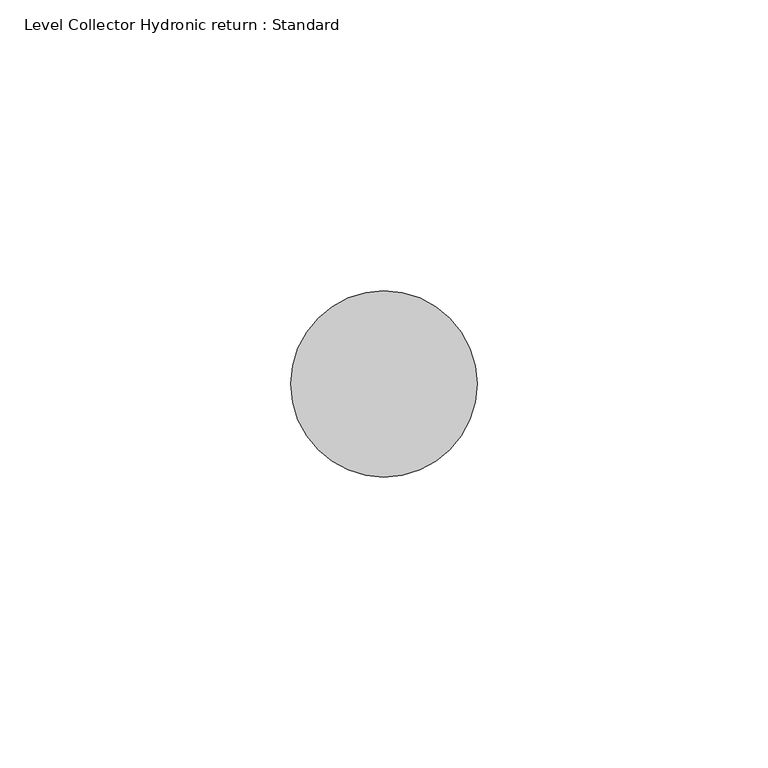
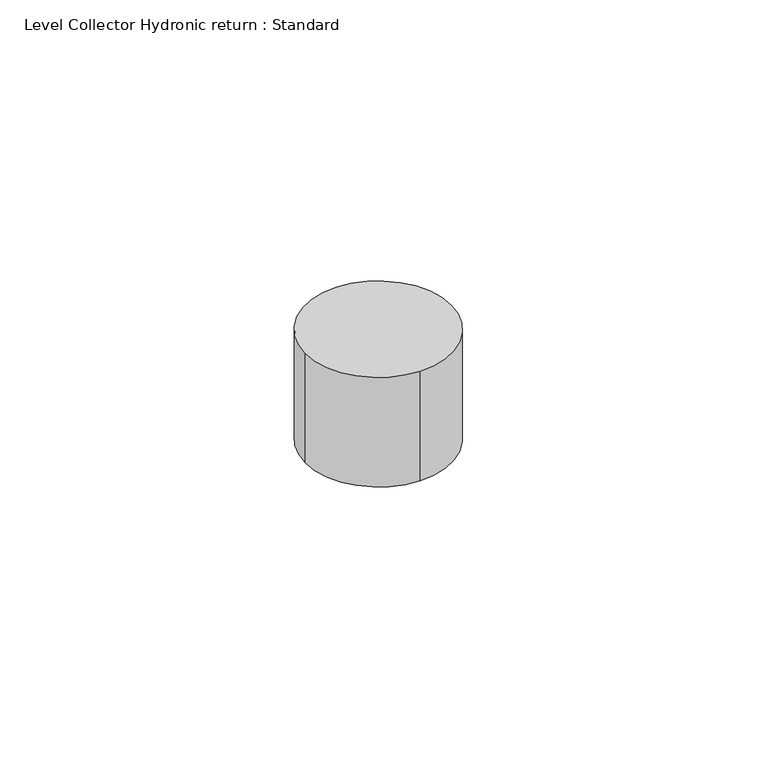
"""IFC4 building model written with IfcOpenShell, lengths in millimetres: proxy geometry, Level Collector Hydronic return : Standard."""

from ifc_helpers import new_model, si_unit, point, origin, origin_with_axes, origin_2d, place, context, project, spatial, circle_curve, trimmed, segment, composite_curve, outline, extrude, source, transform, mapped, element, save


def level_collector_hydronic_return_standard_63d5b4a2(model_context):
    return source(origin(), model_context, "Body", "SweptSolid", [
        extrude(outline(composite_curve([segment(trimmed(circle_curve(origin_2d(), 16.0), [point((16.0, 0.0))], [point((0.0, -16.0))], False, "CARTESIAN"), True, "CONTINUOUS"), segment(trimmed(circle_curve(origin_2d(), 16.0), [point((0.0, -16.0))], [point((-16.0, 0.0))], False, "CARTESIAN"), True, "CONTINUOUS"), segment(trimmed(circle_curve(origin_2d(), 16.0), [point((-16.0, 0.0))], [point((0.0, 16.0))], False, "CARTESIAN"), True, "CONTINUOUS"), segment(trimmed(circle_curve(origin_2d(), 16.0), [point((0.0, 16.0))], [point((16.0, 0.0))], False, "CARTESIAN"), True, "CONTINUOUS")], self_intersect=False)), origin_with_axes(), (0.0, 0.0, 1.0), 25.4),
    ])


if __name__ == "__main__":
    model = new_model("IFC4")
    model_context = context("Model", 3, world=origin())
    ifc_project = project(units=[si_unit("LENGTHUNIT", "METRE", prefix="MILLI")], contexts=[model_context])
    site = spatial("IfcSite", under=ifc_project)
    building = spatial("IfcBuilding", under=site)
    placement = place(None, origin())
    level_collector_hydronic_return_standard_shape = level_collector_hydronic_return_standard_63d5b4a2(model_context)
    element("IfcBuildingElementProxy", 1, Name="Level Collector Hydronic return : Standard", ObjectType="Level Collector Hydronic return : Standard", at=placement, inside=building, context=model_context, shape_type="MappedRepresentation", body=[
        mapped(level_collector_hydronic_return_standard_shape, transform((0.0, 0.0, 0.0), x_axis=(1.0, 0.0, 0.0), y_axis=(0.0, 1.0, 0.0), z_axis=(0.0, 0.0, 1.0))),
    ])
    save(model, "model.ifc")
